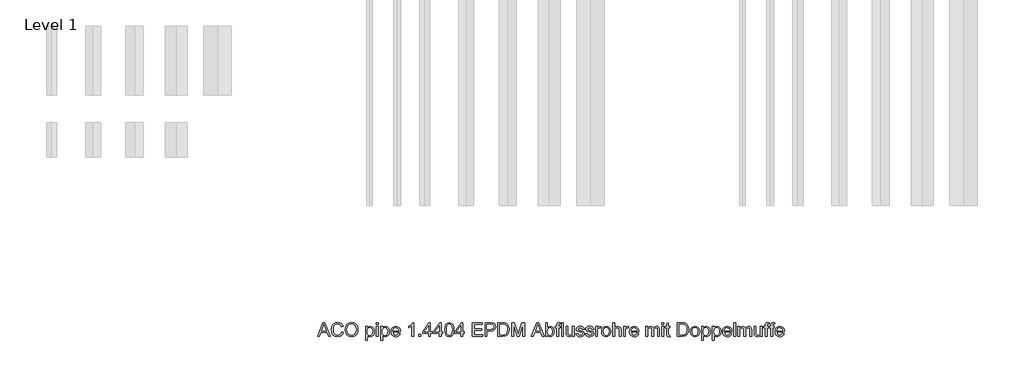
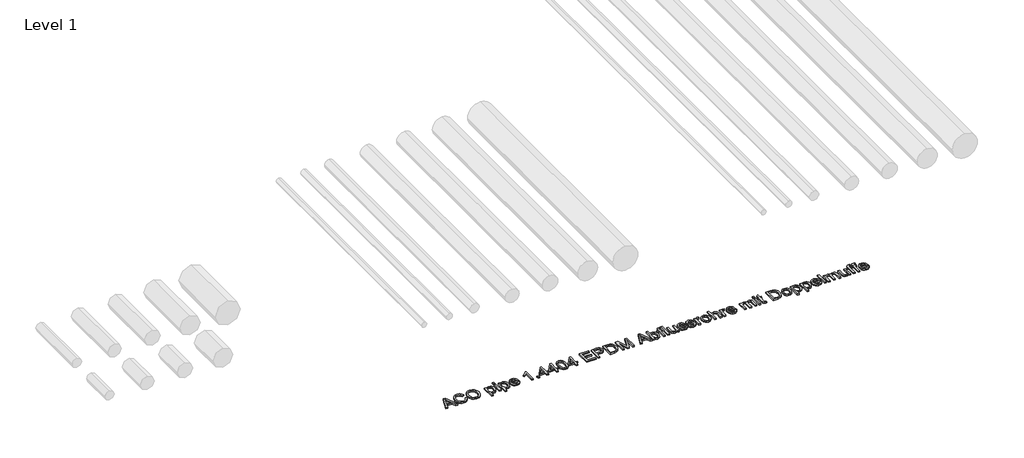
# One storey, part 10 of 13: 1 proxy.
"""IFC4 building model written with IfcOpenShell, lengths in millimetres."""

from ifc_helpers import new_model, si_unit, origin, origin_with_axes, place, context, project, spatial, polyline, outline, extrude, element, save

model = new_model("IFC4")

# Units and contexts
model_context = context("Model", 3, world=origin())
ifc_project = project(units=[si_unit("LENGTHUNIT", "METRE", prefix="MILLI")], contexts=[model_context])

# Site, building, storey
site = spatial("IfcSite", under=ifc_project)
building = spatial("IfcBuilding", under=site)
storey = spatial("IfcBuildingStorey", under=building, Name="Level 1", Elevation=0.0)

# Proxy
placement = place(None, origin())
element("IfcBuildingElementProxy", 1, Name="100mm ACO", ObjectType="100mm ACO", at=placement, inside=storey, context=model_context, shape_type="SweptSolid", body=[
    extrude(outline(polyline([(14738.8757357, -10719.2114353), (14725.0736524, -10719.2114353), (14713.0944857, -10689.5818057), (14670.6465691, -10689.5818057), (14659.1303654, -10719.2114353), (14645.3572172, -10719.2114353), (14684.2171709, -10619.2114353), (14698.3954116, -10619.2114353), (14738.8757357, -10719.2114353)]), holes=[polyline([(14708.5805968, -10678.4706946), (14694.156407, -10641.8098149), (14691.1905505, -10630.1489353), (14686.5319857, -10648.7253242), (14674.9868468, -10678.4706946), (14708.5805968, -10678.4706946)])]), origin_with_axes(), (0.0, 0.0, 1.0), 10.0),
    extrude(outline(polyline([(14832.8572172, -10687.3827316), (14826.9435887, -10702.2083971), (14817.8253885, -10712.7154862), (14806.0379174, -10718.9763369), (14792.1164765, -10721.0632872), (14771.2108052, -10717.2076737), (14756.8734209, -10705.6408335), (14748.5834904, -10688.648646), (14745.8201802, -10668.5169909), (14749.0645378, -10647.1302721), (14758.7976107, -10630.9446529), (14773.63051, -10620.7558508), (14792.1743468, -10617.3595835), (14805.4881489, -10619.1716494), (14816.7258515, -10624.6078473), (14825.3955563, -10633.5379689), (14831.0053654, -10645.8318057), (14818.0424024, -10648.8410649), (14808.1899718, -10633.5777548), (14791.6824487, -10628.4706946), (14777.4608052, -10631.1797513), (14767.1454116, -10639.3069214), (14760.8737103, -10651.9913832), (14758.7831431, -10668.3723149), (14760.9966848, -10686.7353068), (14767.6373098, -10699.6946529), (14777.8369626, -10707.3877953), (14790.7275876, -10709.9521761), (14801.296164, -10708.3354226), (14809.6801339, -10703.4851622), (14815.8794973, -10695.3869272), (14819.8942542, -10684.0262501), (14832.8572172, -10687.3827316)])), origin_with_axes(), (0.0, 0.0, 1.0), 10.0),
    extrude(outline(polyline([(14892.203282, -10617.3595835), (14910.6928654, -10620.9330788), (14925.478745, -10631.6535649), (14935.1792658, -10648.2261923), (14938.4127728, -10669.3561112), (14935.1611813, -10690.3956078), (14925.406407, -10706.8705788), (14910.6024429, -10717.5151101), (14892.203282, -10721.0632872), (14873.3303075, -10717.3849017), (14858.5516616, -10706.3497455), (14849.0030505, -10690.0194504), (14845.8201802, -10670.4556483), (14849.0464533, -10648.3744851), (14858.7252728, -10631.5522918), (14873.5473214, -10620.9077605), (14892.203282, -10617.3595835)]), holes=[polyline([(14892.0875413, -10709.9521761), (14905.5279348, -10707.2684376), (14916.1616154, -10699.2172223), (14923.098826, -10686.3844677), (14925.4498098, -10669.3561112), (14923.0952091, -10651.9479804), (14916.031407, -10639.0754399), (14905.4013434, -10631.1218809), (14892.3479579, -10628.4706946), (14879.0016038, -10631.0676274), (14868.2449487, -10638.8584261), (14861.1485945, -10652.0167015), (14858.7831431, -10670.7160649), (14861.0979579, -10686.5978647), (14868.0424024, -10699.1159492), (14878.6833167, -10707.2431193), (14892.0875413, -10709.9521761)])]), origin_with_axes(), (0.0, 0.0, 1.0), 10.0),
    extrude(outline(polyline([(15007.0614996, -10655.6987038), (15015.5178075, -10647.7776969), (15027.1859209, -10645.1373612), (15039.5123098, -10647.7270603), (15048.9451802, -10655.4961575), (15054.9347635, -10667.4246876), (15056.9312913, -10682.4926853), (15054.6743468, -10698.3817189), (15047.9035135, -10710.6321529), (15037.8485366, -10718.4555036), (15025.7391616, -10721.0632872), (15015.3658978, -10718.9365511), (15007.2785135, -10712.5563427), (15006.9312913, -10746.9892131), (14993.9683283, -10746.9892131), (14993.9683283, -10646.9892131), (15006.9312913, -10646.9892131), (15007.0614996, -10655.6987038)]), holes=[polyline([(15024.3213376, -10711.8040279), (15032.0940517, -10709.9774943), (15038.3983052, -10704.4978936), (15042.5758225, -10695.4013948), (15043.9683283, -10682.7241668), (15042.6264591, -10670.6473439), (15038.6008515, -10661.7316899), (15032.4846767, -10656.2303879), (15024.8711061, -10654.3966205), (15016.989885, -10656.4401679), (15010.6494626, -10662.5708103), (15006.4719452, -10671.956661), (15005.0794394, -10683.7658335), (15006.4140748, -10695.8788254), (15010.4179811, -10704.6715048), (15016.563091, -10710.0208971), (15024.3213376, -10711.8040279)])]), origin_with_axes(), (0.0, 0.0, 1.0), 10.0),
    extrude(outline(polyline([(15084.7090691, -10719.2114353), (15071.7461061, -10719.2114353), (15071.7461061, -10646.9892131), (15084.7090691, -10646.9892131), (15084.7090691, -10719.2114353)])), origin_with_axes(), (0.0, 0.0, 1.0), 10.0),
    extrude(outline(polyline([(15084.7090691, -10632.1743983), (15071.7461061, -10632.1743983), (15071.7461061, -10619.2114353), (15084.7090691, -10619.2114353), (15084.7090691, -10632.1743983)])), origin_with_axes(), (0.0, 0.0, 1.0), 10.0),
    extrude(outline(polyline([(15116.3207589, -10655.6987038), (15124.7770667, -10647.7776969), (15136.4451802, -10645.1373612), (15148.7715691, -10647.7270603), (15158.2044394, -10655.4961575), (15164.1940228, -10667.4246876), (15166.1905505, -10682.4926853), (15163.9336061, -10698.3817189), (15157.1627728, -10710.6321529), (15147.1077959, -10718.4555036), (15134.9984209, -10721.0632872), (15124.625157, -10718.9365511), (15116.5377728, -10712.5563427), (15116.1905505, -10746.9892131), (15103.2275876, -10746.9892131), (15103.2275876, -10646.9892131), (15116.1905505, -10646.9892131), (15116.3207589, -10655.6987038)]), holes=[polyline([(15133.5805968, -10711.8040279), (15141.353311, -10709.9774943), (15147.6575644, -10704.4978936), (15151.8350818, -10695.4013948), (15153.2275876, -10682.7241668), (15151.8857184, -10670.6473439), (15147.8601107, -10661.7316899), (15141.743936, -10656.2303879), (15134.1303654, -10654.3966205), (15126.2491443, -10656.4401679), (15119.9087218, -10662.5708103), (15115.7312045, -10671.956661), (15114.3386987, -10683.7658335), (15115.6733341, -10695.8788254), (15119.6772404, -10704.6715048), (15125.8223503, -10710.0208971), (15133.5805968, -10711.8040279)])]), origin_with_axes(), (0.0, 0.0, 1.0), 10.0),
    extrude(outline(polyline([(15243.9683283, -10685.878102), (15190.2646246, -10685.878102), (15192.3371073, -10697.0036807), (15197.0499255, -10705.1489353), (15203.8316096, -10710.1402548), (15212.1106894, -10711.8040279), (15223.7860366, -10708.1147918), (15231.0053654, -10696.9892131), (15243.9683283, -10698.4938427), (15239.5918816, -10708.1147918), (15232.6546709, -10715.2183798), (15223.4098792, -10719.6020603), (15212.1106894, -10721.0632872), (15197.5237392, -10718.5567767), (15186.5175181, -10711.0372455), (15179.6056258, -10699.1774365), (15177.3016616, -10683.6500927), (15179.5224371, -10668.1118983), (15186.1847635, -10655.8144446), (15196.8835482, -10647.8066321), (15211.2136987, -10645.1373612), (15226.4336061, -10648.5951159), (15238.8612681, -10660.3717362), (15242.6915633, -10670.9077605), (15243.9683283, -10685.878102)]), holes=[polyline([(15231.0053654, -10676.6188427), (15228.922032, -10666.4625927), (15224.1766616, -10659.6049538), (15210.8954116, -10654.3966205), (15203.0395089, -10655.9446529), (15196.7171709, -10660.5887501), (15190.2646246, -10676.6188427), (15231.0053654, -10676.6188427)])]), origin_with_axes(), (0.0, 0.0, 1.0), 10.0),
    extrude(outline(polyline([(15342.1164765, -10719.2114353), (15329.1535135, -10719.2114353), (15329.1535135, -10641.4336575), (15305.0794394, -10656.2484723), (15305.0794394, -10646.9892131), (15323.3520089, -10635.2704631), (15334.7090691, -10621.0632872), (15342.1164765, -10621.0632872), (15342.1164765, -10719.2114353)])), origin_with_axes(), (0.0, 0.0, 1.0), 10.0),
    extrude(outline(polyline([(15393.9683283, -10719.2114353), (15379.1535135, -10719.2114353), (15379.1535135, -10704.3966205), (15393.9683283, -10704.3966205), (15393.9683283, -10719.2114353)])), origin_with_axes(), (0.0, 0.0, 1.0), 10.0),
    extrude(outline(polyline([(15475.4498098, -10695.1373612), (15462.4868468, -10695.1373612), (15462.4868468, -10719.2114353), (15449.5238839, -10719.2114353), (15449.5238839, -10695.1373612), (15406.9312913, -10695.1373612), (15406.9312913, -10685.878102), (15451.8386987, -10621.0632872), (15462.4868468, -10621.0632872), (15462.4868468, -10685.878102), (15475.4498098, -10685.878102), (15475.4498098, -10695.1373612)]), holes=[polyline([(15449.5238839, -10685.878102), (15449.5238839, -10639.9868983), (15417.7530505, -10685.878102), (15449.5238839, -10685.878102)])]), origin_with_axes(), (0.0, 0.0, 1.0), 10.0),
    extrude(outline(polyline([(15553.2275876, -10695.1373612), (15540.2646246, -10695.1373612), (15540.2646246, -10719.2114353), (15527.3016616, -10719.2114353), (15527.3016616, -10695.1373612), (15484.7090691, -10695.1373612), (15484.7090691, -10685.878102), (15529.6164765, -10621.0632872), (15540.2646246, -10621.0632872), (15540.2646246, -10685.878102), (15553.2275876, -10685.878102), (15553.2275876, -10695.1373612)]), holes=[polyline([(15527.3016616, -10685.878102), (15527.3016616, -10639.9868983), (15495.5308283, -10685.878102), (15527.3016616, -10685.878102)])]), origin_with_axes(), (0.0, 0.0, 1.0), 10.0),
    extrude(outline(polyline([(15599.4949487, -10619.2114353), (15614.0909412, -10622.3979226), (15624.5166501, -10631.9573844), (15630.7720754, -10647.8898207), (15632.8572172, -10670.1952316), (15630.7015459, -10692.6670198), (15624.234532, -10708.5198844), (15613.7382936, -10717.9274365), (15599.4949487, -10721.0632872), (15584.9242745, -10717.8840337), (15574.5166501, -10708.3462733), (15568.2720754, -10692.4500059), (15566.1905505, -10670.1952316), (15568.3462218, -10647.7270603), (15574.8132357, -10631.8271761), (15585.2950066, -10622.3653705), (15599.4949487, -10619.2114353)]), holes=[polyline([(15599.5238839, -10711.8040279), (15608.3635829, -10709.3698554), (15614.7437913, -10702.0673381), (15618.6066385, -10689.2309666), (15619.8942542, -10670.1952316), (15617.6373098, -10645.9764816), (15610.8230737, -10632.8109723), (15599.3792079, -10628.4706946), (15590.5575934, -10630.9482698), (15584.2316385, -10638.3809955), (15580.4230448, -10651.289705), (15579.1535135, -10670.1952316), (15581.4538607, -10694.2548381), (15588.2680968, -10707.4637501), (15599.5238839, -10711.8040279)])]), origin_with_axes(), (0.0, 0.0, 1.0), 10.0),
    extrude(outline(polyline([(15708.7831431, -10695.1373612), (15695.8201802, -10695.1373612), (15695.8201802, -10719.2114353), (15682.8572172, -10719.2114353), (15682.8572172, -10695.1373612), (15640.2646246, -10695.1373612), (15640.2646246, -10685.878102), (15685.172032, -10621.0632872), (15695.8201802, -10621.0632872), (15695.8201802, -10685.878102), (15708.7831431, -10685.878102), (15708.7831431, -10695.1373612)]), holes=[polyline([(15682.8572172, -10685.878102), (15682.8572172, -10639.9868983), (15651.0863839, -10685.878102), (15682.8572172, -10685.878102)])]), origin_with_axes(), (0.0, 0.0, 1.0), 10.0),
    extrude(outline(polyline([(15840.2646246, -10719.2114353), (15766.1905505, -10719.2114353), (15766.1905505, -10619.2114353), (15838.4127728, -10619.2114353), (15838.4127728, -10630.3225464), (15779.1535135, -10630.3225464), (15779.1535135, -10661.8040279), (15834.7090691, -10661.8040279), (15834.7090691, -10672.915139), (15779.1535135, -10672.915139), (15779.1535135, -10708.1003242), (15840.2646246, -10708.1003242), (15840.2646246, -10719.2114353)])), origin_with_axes(), (0.0, 0.0, 1.0), 10.0),
    extrude(outline(polyline([(15858.7831431, -10619.2114353), (15896.3410135, -10619.2114353), (15911.6477265, -10620.0939585), (15923.5690228, -10624.6801853), (15931.8878885, -10634.7351622), (15934.7090691, -10648.0308798), (15932.4846767, -10660.4621587), (15925.8114996, -10670.1518288), (15914.2338086, -10676.3909781), (15897.2958746, -10678.4706946), (15871.7461061, -10678.4706946), (15871.7461061, -10719.2114353), (15858.7831431, -10719.2114353), (15858.7831431, -10619.2114353)]), holes=[polyline([(15871.7461061, -10667.3595835), (15897.8167079, -10667.3595835), (15915.7637566, -10662.6214469), (15920.2505187, -10656.6987762), (15921.7461061, -10648.4070372), (15918.6355737, -10637.4261344), (15910.9966848, -10631.4944214), (15897.5273561, -10630.3225464), (15871.7461061, -10630.3225464), (15871.7461061, -10667.3595835)])]), origin_with_axes(), (0.0, 0.0, 1.0), 10.0),
    extrude(outline(polyline([(15951.3757357, -10619.2114353), (15985.4035135, -10619.2114353), (16000.797032, -10620.1373612), (16013.1234209, -10624.6367825), (16023.4098792, -10634.4892131), (16030.3398561, -10648.9134029), (16032.8572172, -10668.6616668), (16030.2675181, -10688.7969388), (16022.4984209, -10704.9897918), (16008.4142195, -10715.6560244), (15986.8792079, -10719.2114353), (15951.3757357, -10719.2114353), (15951.3757357, -10619.2114353)]), holes=[polyline([(15964.3386987, -10708.1003242), (15985.6639302, -10708.1003242), (15997.3103422, -10707.2612038), (16007.7125413, -10702.7328473), (16016.4364996, -10690.6379399), (16019.8942542, -10668.3723149), (16018.5632357, -10654.0783335), (16013.6731894, -10641.9689585), (16005.4989996, -10633.9683798), (15996.500157, -10630.8723149), (15985.2588376, -10630.3225464), (15964.3386987, -10630.3225464), (15964.3386987, -10708.1003242)])]), origin_with_axes(), (0.0, 0.0, 1.0), 10.0),
    extrude(outline(polyline([(16143.9683283, -10719.2114353), (16131.0053654, -10719.2114353), (16131.0053654, -10635.415139), (16105.484532, -10719.2114353), (16091.7113839, -10719.2114353), (16064.7148561, -10634.0551853), (16064.3386987, -10719.2114353), (16051.3757357, -10719.2114353), (16051.3757357, -10619.2114353), (16071.0805968, -10619.2114353), (16093.9104579, -10690.0737038), (16098.3375413, -10704.8885186), (16103.3433283, -10688.8584261), (16124.697495, -10619.2114353), (16143.9683283, -10619.2114353), (16143.9683283, -10719.2114353)])), origin_with_axes(), (0.0, 0.0, 1.0), 10.0),
    extrude(outline(polyline([(16287.0238839, -10719.2114353), (16273.2218005, -10719.2114353), (16261.2426339, -10689.5818057), (16218.7947172, -10689.5818057), (16207.2785135, -10719.2114353), (16193.5053654, -10719.2114353), (16232.3653191, -10619.2114353), (16246.5435598, -10619.2114353), (16287.0238839, -10719.2114353)]), holes=[polyline([(16256.728745, -10678.4706946), (16242.3045552, -10641.8098149), (16239.3386987, -10630.1489353), (16234.6801339, -10648.7253242), (16223.134995, -10678.4706946), (16256.728745, -10678.4706946)])]), origin_with_axes(), (0.0, 0.0, 1.0), 10.0),
    extrude(outline(polyline([(16308.9567542, -10654.1362038), (16317.3190228, -10647.3870719), (16328.4011987, -10645.1373612), (16340.8252438, -10647.6836575), (16350.4932126, -10655.3225464), (16356.7106605, -10667.0702316), (16358.7831431, -10681.9429168), (16356.5044973, -10698.6783045), (16349.6685598, -10710.9793751), (16339.7799603, -10718.5423092), (16328.3433283, -10721.0632872), (16317.3262566, -10718.5893288), (16309.0435598, -10711.1674538), (16308.7831431, -10719.2114353), (16295.8201802, -10719.2114353), (16295.8201802, -10619.2114353), (16308.7831431, -10619.2114353), (16308.9567542, -10654.1362038)]), holes=[polyline([(16327.1280505, -10711.8040279), (16334.5463086, -10709.9123902), (16340.5395089, -10704.237477), (16344.5000123, -10695.1409781), (16345.8201802, -10682.9845835), (16340.9590691, -10662.1078473), (16335.172032, -10656.3244272), (16327.5331431, -10654.3966205), (16319.9087218, -10656.3859145), (16313.9336061, -10662.3537964), (16308.7831431, -10682.4926853), (16310.9243468, -10699.4487038), (16317.3768931, -10708.143727), (16327.1280505, -10711.8040279)])]), origin_with_axes(), (0.0, 0.0, 1.0), 10.0),
    extrude(outline(polyline([(16406.9312913, -10618.3144446), (16405.3398561, -10626.6188427), (16399.0319857, -10626.6188427), (16392.7241154, -10628.7455788), (16390.2646246, -10639.2635186), (16390.2646246, -10646.9892131), (16401.3757357, -10646.9892131), (16401.3757357, -10656.2484723), (16390.2646246, -10656.2484723), (16390.2646246, -10719.2114353), (16377.3016616, -10719.2114353), (16377.3016616, -10656.2484723), (16366.1905505, -10656.2484723), (16366.1905505, -10646.9892131), (16377.3016616, -10646.9892131), (16377.3016616, -10639.0609723), (16378.2709904, -10629.0783335), (16383.3780505, -10620.9764816), (16396.1384672, -10617.3595835), (16406.9312913, -10618.3144446)])), origin_with_axes(), (0.0, 0.0, 1.0), 10.0),
    extrude(outline(polyline([(16425.4498098, -10719.2114353), (16412.4868468, -10719.2114353), (16412.4868468, -10619.2114353), (16425.4498098, -10619.2114353), (16425.4498098, -10719.2114353)])), origin_with_axes(), (0.0, 0.0, 1.0), 10.0),
    extrude(outline(polyline([(16503.2275876, -10719.2114353), (16492.1164765, -10719.2114353), (16492.1164765, -10708.7079631), (16481.8734209, -10717.9744561), (16468.9104579, -10721.0632872), (16454.7900876, -10717.5476622), (16446.1384672, -10707.8688427), (16443.9683283, -10691.8676853), (16443.9683283, -10646.9892131), (16456.9312913, -10646.9892131), (16456.9312913, -10687.9614353), (16457.828282, -10702.0528705), (16462.515782, -10709.0551853), (16471.5435598, -10711.8040279), (16484.2895089, -10706.8850464), (16488.7708457, -10699.3329631), (16490.2646246, -10686.5146761), (16490.2646246, -10646.9892131), (16503.2275876, -10646.9892131), (16503.2275876, -10719.2114353)])), origin_with_axes(), (0.0, 0.0, 1.0), 10.0),
    extrude(outline(polyline([(16562.4868468, -10667.3595835), (16557.6980737, -10657.6373612), (16546.6303654, -10654.3966205), (16535.3167079, -10657.1743983), (16531.0053654, -10665.2473149), (16533.8554811, -10672.3943057), (16547.2958746, -10676.2716205), (16565.0186755, -10680.4382872), (16574.0609209, -10686.7606251), (16577.3016616, -10698.0887501), (16575.2906663, -10707.0188717), (16569.2576802, -10714.4226622), (16559.8609788, -10719.4031309), (16547.7588376, -10721.0632872), (16535.2841559, -10719.6671645), (16525.86937, -10715.4787964), (16519.5072461, -10708.5054168), (16516.1905505, -10698.7542594), (16529.1535135, -10696.9892131), (16534.7524718, -10708.1147918), (16547.7588376, -10711.8040279), (16560.0562913, -10707.9701159), (16564.3386987, -10698.6385186), (16562.4145089, -10692.6634029), (16557.6112681, -10689.2924538), (16544.0261987, -10686.3989353), (16523.0915922, -10678.5864353), (16518.0424024, -10665.9996298), (16519.9123387, -10657.7133161), (16525.5221478, -10651.0256714), (16534.2931258, -10646.6094388), (16545.6465691, -10645.1373612), (16557.578716, -10646.424977), (16566.5233052, -10650.2878242), (16572.4803364, -10656.7186691), (16575.4498098, -10665.7102779), (16562.4868468, -10667.3595835)])), origin_with_axes(), (0.0, 0.0, 1.0), 10.0),
    extrude(outline(polyline([(16631.0053654, -10667.3595835), (16626.2165922, -10657.6373612), (16615.1488839, -10654.3966205), (16603.8352265, -10657.1743983), (16599.5238839, -10665.2473149), (16602.3739996, -10672.3943057), (16615.8143931, -10676.2716205), (16633.5371941, -10680.4382872), (16642.5794394, -10686.7606251), (16645.8201802, -10698.0887501), (16643.8091848, -10707.0188717), (16637.7761987, -10714.4226622), (16628.3794973, -10719.4031309), (16616.2773561, -10721.0632872), (16603.8026744, -10719.6671645), (16594.3878885, -10715.4787964), (16588.0257647, -10708.5054168), (16584.7090691, -10698.7542594), (16597.672032, -10696.9892131), (16603.2709904, -10708.1147918), (16616.2773561, -10711.8040279), (16628.5748098, -10707.9701159), (16632.8572172, -10698.6385186), (16630.9330274, -10692.6634029), (16626.1297866, -10689.2924538), (16612.5447172, -10686.3989353), (16591.6101107, -10678.5864353), (16586.5609209, -10665.9996298), (16588.4308573, -10657.7133161), (16594.0406663, -10651.0256714), (16602.8116443, -10646.6094388), (16614.1650876, -10645.1373612), (16626.0972346, -10646.424977), (16635.0418237, -10650.2878242), (16640.9988549, -10656.7186691), (16643.9683283, -10665.7102779), (16631.0053654, -10667.3595835)])), origin_with_axes(), (0.0, 0.0, 1.0), 10.0),
    extrude(outline(polyline([(16697.672032, -10647.9730094), (16693.6211061, -10656.2484723), (16685.1141616, -10654.3966205), (16679.3198908, -10656.0242247), (16675.1315228, -10660.9070372), (16671.7461061, -10679.1362038), (16671.7461061, -10719.2114353), (16658.7831431, -10719.2114353), (16658.7831431, -10646.9892131), (16669.8942542, -10646.9892131), (16669.8942542, -10657.6952316), (16676.8242311, -10648.2768288), (16685.2588376, -10645.1373612), (16697.672032, -10647.9730094)])), origin_with_axes(), (0.0, 0.0, 1.0), 10.0),
    extrude(outline(polyline([(16734.6801339, -10645.1373612), (16747.8564938, -10647.5317478), (16758.5661292, -10654.7149075), (16765.6733341, -10666.310683), (16768.0424024, -10681.9429168), (16765.4780216, -10700.2154862), (16757.7848792, -10712.2091205), (16746.8799313, -10718.8497455), (16734.6801339, -10721.0632872), (16722.0897114, -10718.7882582), (16711.2860366, -10711.9631714), (16703.853311, -10700.1974017), (16701.3757357, -10683.1003242), (16703.7701223, -10666.383021), (16710.953282, -10654.5412964), (16721.6737681, -10647.488345), (16734.6801339, -10645.1373612)]), holes=[polyline([(16734.6801339, -10711.8040279), (16743.4872809, -10709.7966494), (16749.8855737, -10703.774514), (16755.0794394, -10682.6373612), (16753.6109788, -10670.3543751), (16749.2055968, -10661.5146761), (16742.6373098, -10656.1761344), (16734.6801339, -10654.3966205), (16726.5674313, -10656.2014527), (16720.0533978, -10661.6159492), (16715.7673735, -10670.6039411), (16714.3386987, -10683.1292594), (16715.7926917, -10695.6111749), (16720.1546709, -10704.5846992), (16726.6940228, -10709.9991957), (16734.6801339, -10711.8040279)])]), origin_with_axes(), (0.0, 0.0, 1.0), 10.0),
    extrude(outline(polyline([(16842.1164765, -10719.2114353), (16829.1535135, -10719.2114353), (16829.1535135, -10672.5100464), (16825.4642774, -10658.924977), (16814.4544394, -10654.3966205), (16801.5204116, -10659.7351622), (16797.245238, -10667.1678879), (16795.8201802, -10678.7889816), (16795.8201802, -10719.2114353), (16782.8572172, -10719.2114353), (16782.8572172, -10619.2114353), (16795.8201802, -10619.2114353), (16795.8201802, -10655.0331946), (16805.520701, -10647.6113196), (16817.3768931, -10645.1373612), (16830.6581431, -10648.0019446), (16839.5557126, -10656.8127085), (16842.1164765, -10673.3202316), (16842.1164765, -10719.2114353)])), origin_with_axes(), (0.0, 0.0, 1.0), 10.0),
    extrude(outline(polyline([(16899.5238839, -10647.9730094), (16895.4729579, -10656.2484723), (16886.9660135, -10654.3966205), (16881.1717427, -10656.0242247), (16876.9833746, -10660.9070372), (16873.5979579, -10679.1362038), (16873.5979579, -10719.2114353), (16860.634995, -10719.2114353), (16860.634995, -10646.9892131), (16871.7461061, -10646.9892131), (16871.7461061, -10657.6952316), (16878.6760829, -10648.2768288), (16887.1106894, -10645.1373612), (16899.5238839, -10647.9730094)])), origin_with_axes(), (0.0, 0.0, 1.0), 10.0),
    extrude(outline(polyline([(16969.8942542, -10685.878102), (16916.1905505, -10685.878102), (16918.2630332, -10697.0036807), (16922.9758515, -10705.1489353), (16929.7575355, -10710.1402548), (16938.0366154, -10711.8040279), (16949.7119626, -10708.1147918), (16956.9312913, -10696.9892131), (16969.8942542, -10698.4938427), (16965.5178075, -10708.1147918), (16958.5805968, -10715.2183798), (16949.3358052, -10719.6020603), (16938.0366154, -10721.0632872), (16923.4496651, -10718.5567767), (16912.4434441, -10711.0372455), (16905.5315517, -10699.1774365), (16903.2275876, -10683.6500927), (16905.448363, -10668.1118983), (16912.1106894, -10655.8144446), (16922.8094741, -10647.8066321), (16937.1396246, -10645.1373612), (16952.359532, -10648.5951159), (16964.7871941, -10660.3717362), (16968.6174892, -10670.9077605), (16969.8942542, -10685.878102)]), holes=[polyline([(16956.9312913, -10676.6188427), (16954.8479579, -10666.4625927), (16950.1025876, -10659.6049538), (16936.8213376, -10654.3966205), (16928.9654348, -10655.9446529), (16922.6430968, -10660.5887501), (16916.1905505, -10676.6188427), (16956.9312913, -10676.6188427)])]), origin_with_axes(), (0.0, 0.0, 1.0), 10.0),
    extrude(outline(polyline([(17119.8942542, -10719.2114353), (17106.9312913, -10719.2114353), (17106.9312913, -10672.5100464), (17106.2802496, -10663.6992825), (17102.8948329, -10657.2178011), (17094.3734209, -10654.3966205), (17082.3653191, -10659.5470835), (17078.567576, -10666.3034492), (17077.3016616, -10676.2716205), (17077.3016616, -10719.2114353), (17064.3386987, -10719.2114353), (17064.3386987, -10671.1211575), (17061.1558283, -10657.9556483), (17052.1280505, -10654.3966205), (17039.5991154, -10659.9666436), (17035.9315806, -10667.9636054), (17034.7090691, -10680.8144446), (17034.7090691, -10719.2114353), (17021.7461061, -10719.2114353), (17021.7461061, -10646.9892131), (17032.8572172, -10646.9892131), (17032.8572172, -10656.8850464), (17042.239451, -10648.0742825), (17054.7900876, -10645.1373612), (17067.9700644, -10648.305764), (17075.4498098, -10657.8399075), (17084.9694857, -10648.3129978), (17097.5562913, -10645.1373612), (17107.3291501, -10646.6564585), (17114.3097635, -10651.2137501), (17118.4981316, -10658.8092362), (17119.8942542, -10669.4429168), (17119.8942542, -10719.2114353)])), origin_with_axes(), (0.0, 0.0, 1.0), 10.0),
    extrude(outline(polyline([(17151.3757357, -10632.1743983), (17138.4127728, -10632.1743983), (17138.4127728, -10619.2114353), (17151.3757357, -10619.2114353), (17151.3757357, -10632.1743983)])), origin_with_axes(), (0.0, 0.0, 1.0), 10.0),
    extrude(outline(polyline([(17151.3757357, -10719.2114353), (17138.4127728, -10719.2114353), (17138.4127728, -10646.9892131), (17151.3757357, -10646.9892131), (17151.3757357, -10719.2114353)])), origin_with_axes(), (0.0, 0.0, 1.0), 10.0),
    extrude(outline(polyline([(17197.672032, -10720.2241668), (17188.5863839, -10721.0632872), (17176.9978422, -10718.1842362), (17172.5562913, -10710.878102), (17171.7461061, -10698.5517131), (17171.7461061, -10656.2484723), (17162.4868468, -10656.2484723), (17162.4868468, -10646.9892131), (17171.7461061, -10646.9892131), (17171.7461061, -10628.6443057), (17184.7090691, -10621.0632872), (17184.7090691, -10646.9892131), (17195.8201802, -10646.9892131), (17195.8201802, -10656.2484723), (17184.7090691, -10656.2484723), (17184.7090691, -10701.1558798), (17185.7507357, -10709.3734723), (17191.0458746, -10711.8040279), (17196.0805968, -10711.8040279), (17197.672032, -10720.2241668)])), origin_with_axes(), (0.0, 0.0, 1.0), 10.0),
    extrude(outline(polyline([(17249.5238839, -10619.2114353), (17283.5516616, -10619.2114353), (17298.9451802, -10620.1373612), (17311.2715691, -10624.6367825), (17321.5580274, -10634.4892131), (17328.4880042, -10648.9134029), (17331.0053654, -10668.6616668), (17328.4156663, -10688.7969388), (17320.6465691, -10704.9897918), (17306.5623677, -10715.6560244), (17285.0273561, -10719.2114353), (17249.5238839, -10719.2114353), (17249.5238839, -10619.2114353)]), holes=[polyline([(17262.4868468, -10708.1003242), (17283.8120783, -10708.1003242), (17295.4584904, -10707.2612038), (17305.8606894, -10702.7328473), (17314.5846478, -10690.6379399), (17318.0424024, -10668.3723149), (17316.7113839, -10654.0783335), (17311.8213376, -10641.9689585), (17303.6471478, -10633.9683798), (17294.6483052, -10630.8723149), (17283.4069857, -10630.3225464), (17262.4868468, -10630.3225464), (17262.4868468, -10708.1003242)])]), origin_with_axes(), (0.0, 0.0, 1.0), 10.0),
    extrude(outline(polyline([(17377.2727265, -10645.1373612), (17390.4490864, -10647.5317478), (17401.1587218, -10654.7149075), (17408.2659267, -10666.310683), (17410.634995, -10681.9429168), (17408.0706142, -10700.2154862), (17400.3774718, -10712.2091205), (17389.4725239, -10718.8497455), (17377.2727265, -10721.0632872), (17364.682304, -10718.7882582), (17353.8786292, -10711.9631714), (17346.4459035, -10700.1974017), (17343.9683283, -10683.1003242), (17346.3627149, -10666.383021), (17353.5458746, -10654.5412964), (17364.2663607, -10647.488345), (17377.2727265, -10645.1373612)]), holes=[polyline([(17377.2727265, -10711.8040279), (17386.0798735, -10709.7966494), (17392.4781663, -10703.774514), (17397.672032, -10682.6373612), (17396.2035714, -10670.3543751), (17391.7981894, -10661.5146761), (17385.2299024, -10656.1761344), (17377.2727265, -10654.3966205), (17369.1600239, -10656.2014527), (17362.6459904, -10661.6159492), (17358.359966, -10670.6039411), (17356.9312913, -10683.1292594), (17358.3852843, -10695.6111749), (17362.7472635, -10704.5846992), (17369.2866154, -10709.9991957), (17377.2727265, -10711.8040279)])]), origin_with_axes(), (0.0, 0.0, 1.0), 10.0),
    extrude(outline(polyline([(17438.5429811, -10655.6987038), (17446.999289, -10647.7776969), (17458.6674024, -10645.1373612), (17470.9937913, -10647.7270603), (17480.4266616, -10655.4961575), (17486.416245, -10667.4246876), (17488.4127728, -10682.4926853), (17486.1558283, -10698.3817189), (17479.384995, -10710.6321529), (17469.3300181, -10718.4555036), (17457.2206431, -10721.0632872), (17446.8473792, -10718.9365511), (17438.759995, -10712.5563427), (17438.4127728, -10746.9892131), (17425.4498098, -10746.9892131), (17425.4498098, -10646.9892131), (17438.4127728, -10646.9892131), (17438.5429811, -10655.6987038)]), holes=[polyline([(17455.8028191, -10711.8040279), (17463.5755332, -10709.9774943), (17469.8797866, -10704.4978936), (17474.057304, -10695.4013948), (17475.4498098, -10682.7241668), (17474.1079406, -10670.6473439), (17470.0823329, -10661.7316899), (17463.9661582, -10656.2303879), (17456.3525876, -10654.3966205), (17448.4713665, -10656.4401679), (17442.1309441, -10662.5708103), (17437.9534267, -10671.956661), (17436.5609209, -10683.7658335), (17437.8955563, -10695.8788254), (17441.8994626, -10704.6715048), (17448.0445725, -10710.0208971), (17455.8028191, -10711.8040279)])]), origin_with_axes(), (0.0, 0.0, 1.0), 10.0),
    extrude(outline(polyline([(17516.3207589, -10655.6987038), (17524.7770667, -10647.7776969), (17536.4451802, -10645.1373612), (17548.7715691, -10647.7270603), (17558.2044394, -10655.4961575), (17564.1940228, -10667.4246876), (17566.1905505, -10682.4926853), (17563.9336061, -10698.3817189), (17557.1627728, -10710.6321529), (17547.1077959, -10718.4555036), (17534.9984209, -10721.0632872), (17524.625157, -10718.9365511), (17516.5377728, -10712.5563427), (17516.1905505, -10746.9892131), (17503.2275876, -10746.9892131), (17503.2275876, -10646.9892131), (17516.1905505, -10646.9892131), (17516.3207589, -10655.6987038)]), holes=[polyline([(17533.5805968, -10711.8040279), (17541.353311, -10709.9774943), (17547.6575644, -10704.4978936), (17551.8350818, -10695.4013948), (17553.2275876, -10682.7241668), (17551.8857184, -10670.6473439), (17547.8601107, -10661.7316899), (17541.743936, -10656.2303879), (17534.1303654, -10654.3966205), (17526.2491443, -10656.4401679), (17519.9087218, -10662.5708103), (17515.7312045, -10671.956661), (17514.3386987, -10683.7658335), (17515.6733341, -10695.8788254), (17519.6772404, -10704.6715048), (17525.8223503, -10710.0208971), (17533.5805968, -10711.8040279)])]), origin_with_axes(), (0.0, 0.0, 1.0), 10.0),
    extrude(outline(polyline([(17643.9683283, -10685.878102), (17590.2646246, -10685.878102), (17592.3371073, -10697.0036807), (17597.0499255, -10705.1489353), (17603.8316096, -10710.1402548), (17612.1106894, -10711.8040279), (17623.7860366, -10708.1147918), (17631.0053654, -10696.9892131), (17643.9683283, -10698.4938427), (17639.5918816, -10708.1147918), (17632.6546709, -10715.2183798), (17623.4098792, -10719.6020603), (17612.1106894, -10721.0632872), (17597.5237392, -10718.5567767), (17586.5175181, -10711.0372455), (17579.6056258, -10699.1774365), (17577.3016616, -10683.6500927), (17579.5224371, -10668.1118983), (17586.1847635, -10655.8144446), (17596.8835482, -10647.8066321), (17611.2136987, -10645.1373612), (17626.4336061, -10648.5951159), (17638.8612681, -10660.3717362), (17642.6915633, -10670.9077605), (17643.9683283, -10685.878102)]), holes=[polyline([(17631.0053654, -10676.6188427), (17628.922032, -10666.4625927), (17624.1766616, -10659.6049538), (17610.8954116, -10654.3966205), (17603.0395089, -10655.9446529), (17596.7171709, -10660.5887501), (17590.2646246, -10676.6188427), (17631.0053654, -10676.6188427)])]), origin_with_axes(), (0.0, 0.0, 1.0), 10.0),
    extrude(outline(polyline([(17671.7461061, -10719.2114353), (17658.7831431, -10719.2114353), (17658.7831431, -10619.2114353), (17671.7461061, -10619.2114353), (17671.7461061, -10719.2114353)])), origin_with_axes(), (0.0, 0.0, 1.0), 10.0),
    extrude(outline(polyline([(17786.5609209, -10719.2114353), (17773.5979579, -10719.2114353), (17773.5979579, -10672.5100464), (17772.9469163, -10663.6992825), (17769.5614996, -10657.2178011), (17761.0400876, -10654.3966205), (17749.0319857, -10659.5470835), (17745.2342427, -10666.3034492), (17743.9683283, -10676.2716205), (17743.9683283, -10719.2114353), (17731.0053654, -10719.2114353), (17731.0053654, -10671.1211575), (17727.822495, -10657.9556483), (17718.7947172, -10654.3966205), (17706.265782, -10659.9666436), (17702.5982473, -10667.9636054), (17701.3757357, -10680.8144446), (17701.3757357, -10719.2114353), (17688.4127728, -10719.2114353), (17688.4127728, -10646.9892131), (17699.5238839, -10646.9892131), (17699.5238839, -10656.8850464), (17708.9061177, -10648.0742825), (17721.4567542, -10645.1373612), (17734.6367311, -10648.305764), (17742.1164765, -10657.8399075), (17751.6361524, -10648.3129978), (17764.2229579, -10645.1373612), (17773.9958167, -10646.6564585), (17780.9764302, -10651.2137501), (17785.1647982, -10658.8092362), (17786.5609209, -10669.4429168), (17786.5609209, -10719.2114353)])), origin_with_axes(), (0.0, 0.0, 1.0), 10.0),
    extrude(outline(polyline([(17864.3386987, -10719.2114353), (17853.2275876, -10719.2114353), (17853.2275876, -10708.7079631), (17842.984532, -10717.9744561), (17830.0215691, -10721.0632872), (17815.9011987, -10717.5476622), (17807.2495783, -10707.8688427), (17805.0794394, -10691.8676853), (17805.0794394, -10646.9892131), (17818.0424024, -10646.9892131), (17818.0424024, -10687.9614353), (17818.9393931, -10702.0528705), (17823.6268931, -10709.0551853), (17832.6546709, -10711.8040279), (17845.40062, -10706.8850464), (17849.8819568, -10699.3329631), (17851.3757357, -10686.5146761), (17851.3757357, -10646.9892131), (17864.3386987, -10646.9892131), (17864.3386987, -10719.2114353)])), origin_with_axes(), (0.0, 0.0, 1.0), 10.0),
    extrude(outline(polyline([(17916.1905505, -10618.3144446), (17914.5991154, -10626.6188427), (17908.291245, -10626.6188427), (17901.9833746, -10628.7455788), (17899.5238839, -10639.2635186), (17899.5238839, -10646.9892131), (17910.634995, -10646.9892131), (17910.634995, -10656.2484723), (17899.5238839, -10656.2484723), (17899.5238839, -10719.2114353), (17886.5609209, -10719.2114353), (17886.5609209, -10656.2484723), (17875.4498098, -10656.2484723), (17875.4498098, -10646.9892131), (17886.5609209, -10646.9892131), (17886.5609209, -10639.0609723), (17887.5302496, -10629.0783335), (17892.6373098, -10620.9764816), (17905.3977265, -10617.3595835), (17916.1905505, -10618.3144446)])), origin_with_axes(), (0.0, 0.0, 1.0), 10.0),
    extrude(outline(polyline([(17955.0794394, -10618.3144446), (17953.4880042, -10626.6188427), (17947.1801339, -10626.6188427), (17940.8722635, -10628.7455788), (17938.4127728, -10639.2635186), (17938.4127728, -10646.9892131), (17949.5238839, -10646.9892131), (17949.5238839, -10656.2484723), (17938.4127728, -10656.2484723), (17938.4127728, -10719.2114353), (17925.4498098, -10719.2114353), (17925.4498098, -10656.2484723), (17914.3386987, -10656.2484723), (17914.3386987, -10646.9892131), (17925.4498098, -10646.9892131), (17925.4498098, -10639.0609723), (17926.4191385, -10629.0783335), (17931.5261987, -10620.9764816), (17944.2866154, -10617.3595835), (17955.0794394, -10618.3144446)])), origin_with_axes(), (0.0, 0.0, 1.0), 10.0),
    extrude(outline(polyline([(18023.5979579, -10685.878102), (17969.8942542, -10685.878102), (17971.9667369, -10697.0036807), (17976.6795552, -10705.1489353), (17983.4612392, -10710.1402548), (17991.7403191, -10711.8040279), (18003.4156663, -10708.1147918), (18010.634995, -10696.9892131), (18023.5979579, -10698.4938427), (18019.2215112, -10708.1147918), (18012.2843005, -10715.2183798), (18003.0395089, -10719.6020603), (17991.7403191, -10721.0632872), (17977.1533688, -10718.5567767), (17966.1471478, -10711.0372455), (17959.2352554, -10699.1774365), (17956.9312913, -10683.6500927), (17959.1520667, -10668.1118983), (17965.8143931, -10655.8144446), (17976.5131779, -10647.8066321), (17990.8433283, -10645.1373612), (18006.0632357, -10648.5951159), (18018.4908978, -10660.3717362), (18022.3211929, -10670.9077605), (18023.5979579, -10685.878102)]), holes=[polyline([(18010.634995, -10676.6188427), (18008.5516616, -10666.4625927), (18003.8062913, -10659.6049538), (17990.5250413, -10654.3966205), (17982.6691385, -10655.9446529), (17976.3468005, -10660.5887501), (17969.8942542, -10676.6188427), (18010.634995, -10676.6188427)])]), origin_with_axes(), (0.0, 0.0, 1.0), 10.0),
])

save(model, "model.ifc")
